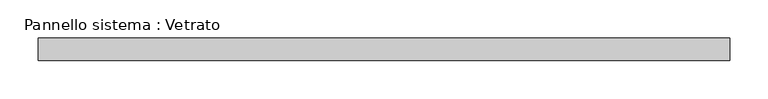
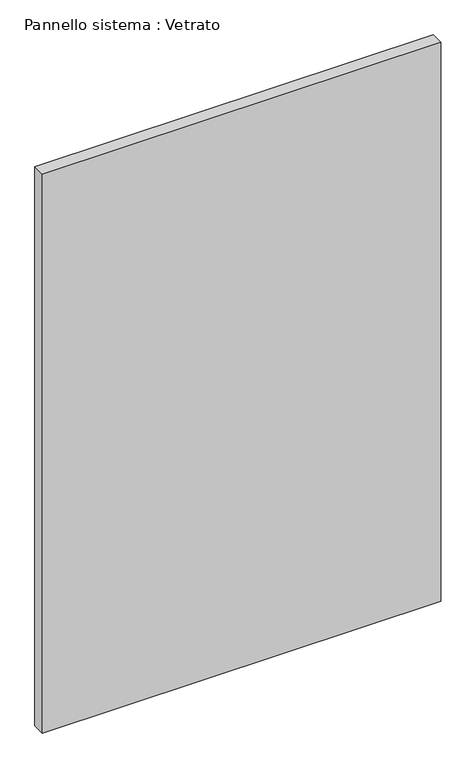
"""IFC4 building model written with IfcOpenShell, lengths in millimetres: plate geometry, Pannello sistema : Vetrato."""

from ifc_helpers import new_model, si_unit, origin, origin_with_axes, place, context, project, spatial, polyline, outline, extrude, source, transform, mapped, element, save


def pannello_sistema_vetrato_5acc9210(model_context):
    return source(origin(), model_context, "Body", "SweptSolid", [
        extrude(outline(polyline([(455.0000002, -15.0), (-455.0000002, -15.0), (-455.0000002, 15.0), (455.0000002, 15.0), (455.0000002, -15.0)])), origin_with_axes(), (0.0, 0.0, 1.0), 1350.0),
    ])


if __name__ == "__main__":
    model = new_model("IFC4")
    model_context = context("Model", 3, world=origin())
    ifc_project = project(units=[si_unit("LENGTHUNIT", "METRE", prefix="MILLI")], contexts=[model_context])
    site = spatial("IfcSite", under=ifc_project)
    building = spatial("IfcBuilding", under=site)
    placement = place(None, origin())
    pannello_sistema_vetrato_shape = pannello_sistema_vetrato_5acc9210(model_context)
    element("IfcPlate", 1, ObjectType="Pannello sistema : Vetrato", at=placement, inside=building, context=model_context, shape_type="MappedRepresentation", body=[
        mapped(pannello_sistema_vetrato_shape, transform((0.0, 0.0, 0.0), x_axis=(1.0, 0.0, 0.0), y_axis=(0.0, 1.0, 0.0), z_axis=(0.0, 0.0, 1.0))),
    ])
    save(model, "model.ifc")
